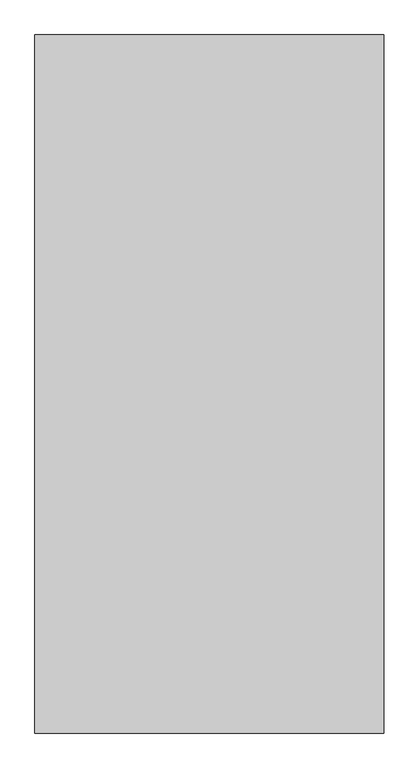
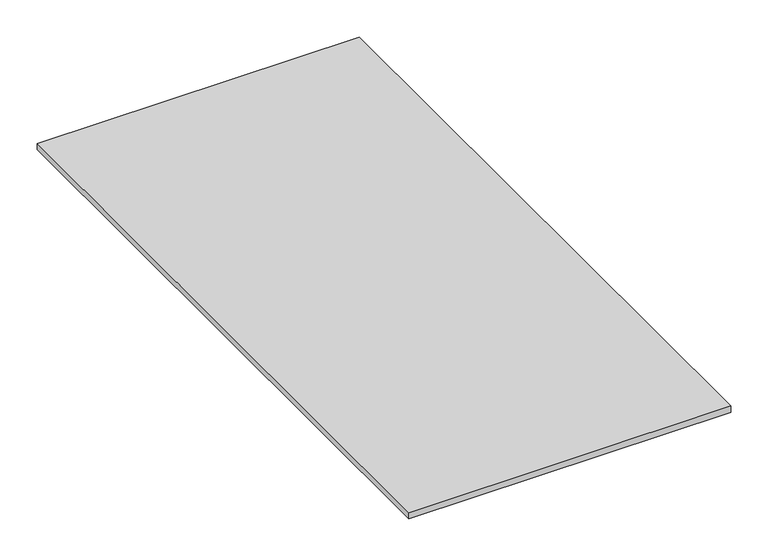
"""IFC4 building model written with IfcOpenShell, lengths in millimetres: proxy geometry."""

from ifc_helpers import new_model, si_unit, origin, origin_with_axes, place, context, project, spatial, polyline, outline, extrude, source, transform, mapped, element, save


def generic_models_6a63a33f(model_context):
    return source(origin(), model_context, "Body", "SweptSolid", [
        extrude(outline(polyline([(-16829.2833082, 3547.1625159), (-16829.2833082, 2547.1625159), (-17329.2833082, 2547.1625159), (-17329.2833082, 3547.1625159), (-16829.2833082, 3547.1625159)])), origin_with_axes(), (0.0, 0.0, 1.0), 10.0),
    ])


if __name__ == "__main__":
    model = new_model("IFC4")
    model_context = context("Model", 3, world=origin())
    ifc_project = project(units=[si_unit("LENGTHUNIT", "METRE", prefix="MILLI")], contexts=[model_context])
    site = spatial("IfcSite", under=ifc_project)
    building = spatial("IfcBuilding", under=site)
    placement = place(None, origin())
    generic_models_shape = generic_models_6a63a33f(model_context)
    element("IfcBuildingElementProxy", 1, Name="Generic Models", at=placement, inside=building, context=model_context, shape_type="MappedRepresentation", body=[
        mapped(generic_models_shape, transform((0.0, 0.0, 0.0), x_axis=(1.0, 0.0, 0.0), y_axis=(0.0, 1.0, 0.0), z_axis=(0.0, 0.0, 1.0))),
    ])
    save(model, "model.ifc")
